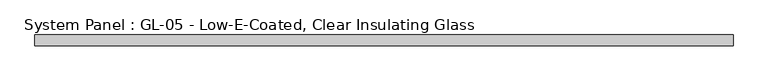
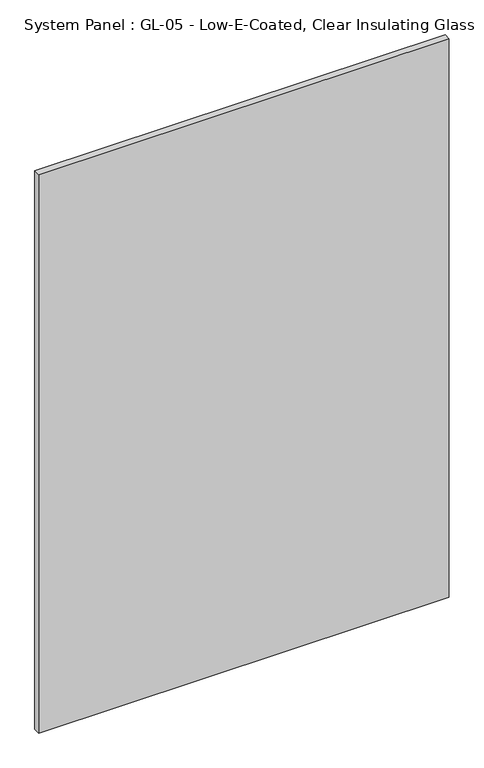
"""IFC4 building model written with IfcOpenShell, lengths in millimetres: plate geometry, System Panel : GL-05 - Low-E-Coated, Clear Insulating Glass."""

from ifc_helpers import new_model, si_unit, origin, origin_with_axes, place, context, project, spatial, polyline, outline, extrude, source, transform, mapped, element, save


def system_panel_gl_05_low_e_coated_clear_insulating_glass_df5c7a3a(model_context):
    return source(origin(), model_context, "Body", "SweptSolid", [
        extrude(outline(polyline([(812.8, -12.7), (-812.8, -12.7), (-812.8, 12.7), (812.8, 12.7), (812.8, -12.7)])), origin_with_axes(), (0.0, 0.0, 1.0), 2336.8),
    ])


if __name__ == "__main__":
    model = new_model("IFC4")
    model_context = context("Model", 3, world=origin())
    ifc_project = project(units=[si_unit("LENGTHUNIT", "METRE", prefix="MILLI")], contexts=[model_context])
    site = spatial("IfcSite", under=ifc_project)
    building = spatial("IfcBuilding", under=site)
    placement = place(None, origin())
    system_panel_gl_05_low_e_coated_clear_insulating_glass_shape = system_panel_gl_05_low_e_coated_clear_insulating_glass_df5c7a3a(model_context)
    element("IfcPlate", 1, ObjectType="System Panel : GL-05 - Low-E-Coated, Clear Insulating Glass", at=placement, inside=building, context=model_context, shape_type="MappedRepresentation", body=[
        mapped(system_panel_gl_05_low_e_coated_clear_insulating_glass_shape, transform((0.0, 0.0, 0.0), x_axis=(1.0, 0.0, 0.0), y_axis=(0.0, 1.0, 0.0), z_axis=(0.0, 0.0, 1.0))),
    ])
    save(model, "model.ifc")
